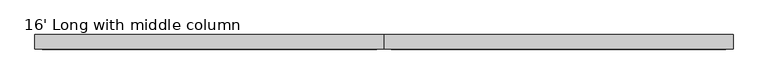
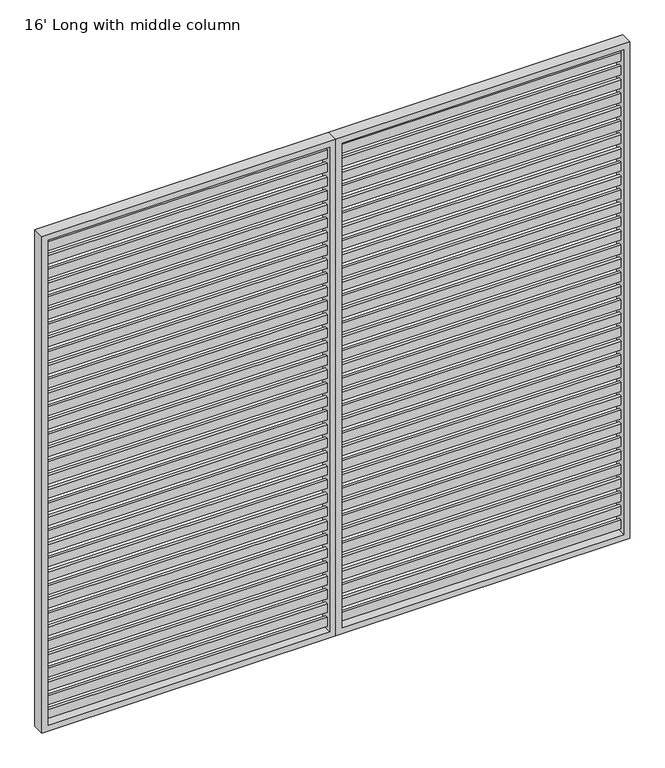
"""IFC4 building model written with IfcOpenShell, lengths in millimetres: furniture geometry, 16' Long with middle column."""

from ifc_helpers import new_model, si_unit, frame, origin, place, context, project, spatial, polyline, outline, extrude, source, transform, mapped, element, save


def furniture_16_long_with_middle_column_5638d393(model_context):
    return source(origin(), model_context, "Body", "SweptSolid", [
        extrude(outline(polyline([(2413.0, -6.35), (1244.6, -6.35), (1244.6, 6.35), (2413.0, 6.35), (2413.0, -6.35)])), frame((0.0, 0.0, 2030.4880644), z_axis=(0.0, 0.0, 1.0), x_axis=(1.0, 0.0, 0.0)), (0.0, 0.0, 1.0), 38.0999955),
        extrude(outline(polyline([(2413.0, -6.35), (1244.6, -6.35), (1244.6, 6.35), (2413.0, 6.35), (2413.0, -6.35)])), frame((0.0, 0.0, 1970.1654869), z_axis=(0.0, 0.0, 1.0), x_axis=(1.0, 0.0, 0.0)), (0.0, 0.0, 1.0), 38.0999955),
        extrude(outline(polyline([(2413.0, -6.35), (1244.6, -6.35), (1244.6, 6.35), (2413.0, 6.35), (2413.0, -6.35)])), frame((0.0, 0.0, 1909.8429094), z_axis=(0.0, 0.0, 1.0), x_axis=(1.0, 0.0, 0.0)), (0.0, 0.0, 1.0), 38.0999955),
        extrude(outline(polyline([(2413.0, -6.35), (1244.6, -6.35), (1244.6, 6.35), (2413.0, 6.35), (2413.0, -6.35)])), frame((0.0, 0.0, 1849.520332), z_axis=(0.0, 0.0, 1.0), x_axis=(1.0, 0.0, 0.0)), (0.0, 0.0, 1.0), 38.0999955),
        extrude(outline(polyline([(2413.0, -6.35), (1244.6, -6.35), (1244.6, 6.35), (2413.0, 6.35), (2413.0, -6.35)])), frame((0.0, 0.0, 1789.1977545), z_axis=(0.0, 0.0, 1.0), x_axis=(1.0, 0.0, 0.0)), (0.0, 0.0, 1.0), 38.0999955),
        extrude(outline(polyline([(2413.0, -6.35), (1244.6, -6.35), (1244.6, 6.35), (2413.0, 6.35), (2413.0, -6.35)])), frame((0.0, 0.0, 1728.875177), z_axis=(0.0, 0.0, 1.0), x_axis=(1.0, 0.0, 0.0)), (0.0, 0.0, 1.0), 38.0999955),
        extrude(outline(polyline([(2413.0, -6.35), (1244.6, -6.35), (1244.6, 6.35), (2413.0, 6.35), (2413.0, -6.35)])), frame((0.0, 0.0, 1668.5525996), z_axis=(0.0, 0.0, 1.0), x_axis=(1.0, 0.0, 0.0)), (0.0, 0.0, 1.0), 38.0999955),
        extrude(outline(polyline([(2413.0, -6.35), (1244.6, -6.35), (1244.6, 6.35), (2413.0, 6.35), (2413.0, -6.35)])), frame((0.0, 0.0, 1608.2300221), z_axis=(0.0, 0.0, 1.0), x_axis=(1.0, 0.0, 0.0)), (0.0, 0.0, 1.0), 38.0999955),
        extrude(outline(polyline([(2413.0, -6.35), (1244.6, -6.35), (1244.6, 6.35), (2413.0, 6.35), (2413.0, -6.35)])), frame((0.0, 0.0, 1547.9074446), z_axis=(0.0, 0.0, 1.0), x_axis=(1.0, 0.0, 0.0)), (0.0, 0.0, 1.0), 38.0999955),
        extrude(outline(polyline([(2413.0, -6.35), (1244.6, -6.35), (1244.6, 6.35), (2413.0, 6.35), (2413.0, -6.35)])), frame((0.0, 0.0, 1487.5848672), z_axis=(0.0, 0.0, 1.0), x_axis=(1.0, 0.0, 0.0)), (0.0, 0.0, 1.0), 38.0999955),
        extrude(outline(polyline([(2413.0, -6.35), (1244.6, -6.35), (1244.6, 6.35), (2413.0, 6.35), (2413.0, -6.35)])), frame((0.0, 0.0, 1427.2622897), z_axis=(0.0, 0.0, 1.0), x_axis=(1.0, 0.0, 0.0)), (0.0, 0.0, 1.0), 38.0999955),
        extrude(outline(polyline([(2413.0, -6.35), (1244.6, -6.35), (1244.6, 6.35), (2413.0, 6.35), (2413.0, -6.35)])), frame((0.0, 0.0, 1366.9397122), z_axis=(0.0, 0.0, 1.0), x_axis=(1.0, 0.0, 0.0)), (0.0, 0.0, 1.0), 38.0999955),
        extrude(outline(polyline([(2413.0, -6.35), (1244.6, -6.35), (1244.6, 6.35), (2413.0, 6.35), (2413.0, -6.35)])), frame((0.0, 0.0, 1306.6171348), z_axis=(0.0, 0.0, 1.0), x_axis=(1.0, 0.0, 0.0)), (0.0, 0.0, 1.0), 38.0999955),
        extrude(outline(polyline([(2413.0, -6.35), (1244.6, -6.35), (1244.6, 6.35), (2413.0, 6.35), (2413.0, -6.35)])), frame((0.0, 0.0, 1246.2945573), z_axis=(0.0, 0.0, 1.0), x_axis=(1.0, 0.0, 0.0)), (0.0, 0.0, 1.0), 38.0999955),
        extrude(outline(polyline([(2413.0, -6.35), (1244.6, -6.35), (1244.6, 6.35), (2413.0, 6.35), (2413.0, -6.35)])), frame((0.0, 0.0, 1185.9719798), z_axis=(0.0, 0.0, 1.0), x_axis=(1.0, 0.0, 0.0)), (0.0, 0.0, 1.0), 38.0999955),
        extrude(outline(polyline([(2413.0, -6.35), (1244.6, -6.35), (1244.6, 6.35), (2413.0, 6.35), (2413.0, -6.35)])), frame((0.0, 0.0, 1125.6494024), z_axis=(0.0, 0.0, 1.0), x_axis=(1.0, 0.0, 0.0)), (0.0, 0.0, 1.0), 38.0999955),
        extrude(outline(polyline([(2413.0, -6.35), (1244.6, -6.35), (1244.6, 6.35), (2413.0, 6.35), (2413.0, -6.35)])), frame((0.0, 0.0, 1065.3268249), z_axis=(0.0, 0.0, 1.0), x_axis=(1.0, 0.0, 0.0)), (0.0, 0.0, 1.0), 38.0999955),
        extrude(outline(polyline([(2413.0, -6.35), (1244.6, -6.35), (1244.6, 6.35), (2413.0, 6.35), (2413.0, -6.35)])), frame((0.0, 0.0, 1005.0042474), z_axis=(0.0, 0.0, 1.0), x_axis=(1.0, 0.0, 0.0)), (0.0, 0.0, 1.0), 38.0999955),
        extrude(outline(polyline([(2413.0, -6.35), (1244.6, -6.35), (1244.6, 6.35), (2413.0, 6.35), (2413.0, -6.35)])), frame((0.0, 0.0, 944.68167), z_axis=(0.0, 0.0, 1.0), x_axis=(1.0, 0.0, 0.0)), (0.0, 0.0, 1.0), 38.0999955),
        extrude(outline(polyline([(2413.0, -6.35), (1244.6, -6.35), (1244.6, 6.35), (2413.0, 6.35), (2413.0, -6.35)])), frame((0.0, 0.0, 884.3590925), z_axis=(0.0, 0.0, 1.0), x_axis=(1.0, 0.0, 0.0)), (0.0, 0.0, 1.0), 38.0999955),
        extrude(outline(polyline([(2413.0, -6.35), (1244.6, -6.35), (1244.6, 6.35), (2413.0, 6.35), (2413.0, -6.35)])), frame((0.0, 0.0, 824.036515), z_axis=(0.0, 0.0, 1.0), x_axis=(1.0, 0.0, 0.0)), (0.0, 0.0, 1.0), 38.0999955),
        extrude(outline(polyline([(2413.0, -6.35), (1244.6, -6.35), (1244.6, 6.35), (2413.0, 6.35), (2413.0, -6.35)])), frame((0.0, 0.0, 763.7139376), z_axis=(0.0, 0.0, 1.0), x_axis=(1.0, 0.0, 0.0)), (0.0, 0.0, 1.0), 38.0999955),
        extrude(outline(polyline([(2413.0, -6.35), (1244.6, -6.35), (1244.6, 6.35), (2413.0, 6.35), (2413.0, -6.35)])), frame((0.0, 0.0, 703.3913601), z_axis=(0.0, 0.0, 1.0), x_axis=(1.0, 0.0, 0.0)), (0.0, 0.0, 1.0), 38.0999955),
        extrude(outline(polyline([(2413.0, -6.35), (1244.6, -6.35), (1244.6, 6.35), (2413.0, 6.35), (2413.0, -6.35)])), frame((0.0, 0.0, 643.0687826), z_axis=(0.0, 0.0, 1.0), x_axis=(1.0, 0.0, 0.0)), (0.0, 0.0, 1.0), 38.0999955),
        extrude(outline(polyline([(2413.0, -6.35), (1244.6, -6.35), (1244.6, 6.35), (2413.0, 6.35), (2413.0, -6.35)])), frame((0.0, 0.0, 582.7462052), z_axis=(0.0, 0.0, 1.0), x_axis=(1.0, 0.0, 0.0)), (0.0, 0.0, 1.0), 38.0999955),
        extrude(outline(polyline([(2413.0, -6.35), (1244.6, -6.35), (1244.6, 6.35), (2413.0, 6.35), (2413.0, -6.35)])), frame((0.0, 0.0, 522.4236277), z_axis=(0.0, 0.0, 1.0), x_axis=(1.0, 0.0, 0.0)), (0.0, 0.0, 1.0), 38.0999955),
        extrude(outline(polyline([(2413.0, -6.35), (1244.6, -6.35), (1244.6, 6.35), (2413.0, 6.35), (2413.0, -6.35)])), frame((0.0, 0.0, 462.1010502), z_axis=(0.0, 0.0, 1.0), x_axis=(1.0, 0.0, 0.0)), (0.0, 0.0, 1.0), 38.0999955),
        extrude(outline(polyline([(2413.0, -6.35), (1244.6, -6.35), (1244.6, 6.35), (2413.0, 6.35), (2413.0, -6.35)])), frame((0.0, 0.0, 401.7784728), z_axis=(0.0, 0.0, 1.0), x_axis=(1.0, 0.0, 0.0)), (0.0, 0.0, 1.0), 38.0999955),
        extrude(outline(polyline([(2413.0, -6.35), (1244.6, -6.35), (1244.6, 6.35), (2413.0, 6.35), (2413.0, -6.35)])), frame((0.0, 0.0, 341.4558953), z_axis=(0.0, 0.0, 1.0), x_axis=(1.0, 0.0, 0.0)), (0.0, 0.0, 1.0), 38.0999955),
        extrude(outline(polyline([(2413.0, -6.35), (1244.6, -6.35), (1244.6, 6.35), (2413.0, 6.35), (2413.0, -6.35)])), frame((0.0, 0.0, 281.1333178), z_axis=(0.0, 0.0, 1.0), x_axis=(1.0, 0.0, 0.0)), (0.0, 0.0, 1.0), 38.0999955),
        extrude(outline(polyline([(2413.0, -6.35), (1244.6, -6.35), (1244.6, 6.35), (2413.0, 6.35), (2413.0, -6.35)])), frame((0.0, 0.0, 220.8107404), z_axis=(0.0, 0.0, 1.0), x_axis=(1.0, 0.0, 0.0)), (0.0, 0.0, 1.0), 38.0999955),
        extrude(outline(polyline([(2413.0, -6.35), (1244.6, -6.35), (1244.6, 6.35), (2413.0, 6.35), (2413.0, -6.35)])), frame((0.0, 0.0, 160.4881629), z_axis=(0.0, 0.0, 1.0), x_axis=(1.0, 0.0, 0.0)), (0.0, 0.0, 1.0), 38.0999955),
        extrude(outline(polyline([(2413.0, -6.35), (1244.6, -6.35), (1244.6, 6.35), (2413.0, 6.35), (2413.0, -6.35)])), frame((0.0, 0.0, 100.1655854), z_axis=(0.0, 0.0, 1.0), x_axis=(1.0, 0.0, 0.0)), (0.0, 0.0, 1.0), 38.0999955),
        extrude(outline(polyline([(2413.0, -6.35), (1244.6, -6.35), (1244.6, 6.35), (2413.0, 6.35), (2413.0, -6.35)])), frame((0.0, 0.0, 2090.8106418), z_axis=(0.0, 0.0, 1.0), x_axis=(1.0, 0.0, 0.0)), (0.0, 0.0, 1.0), 38.0999955),
        extrude(outline(polyline([(2413.0, -6.35), (1244.6, -6.35), (1244.6, 6.35), (2413.0, 6.35), (2413.0, -6.35)])), frame((0.0, 0.0, 39.843008), z_axis=(0.0, 0.0, 1.0), x_axis=(1.0, 0.0, 0.0)), (0.0, 0.0, 1.0), 38.0999955),
        extrude(outline(polyline([(0.0, 2438.4), (2176.526, 2438.4), (2176.526, 1219.2), (0.0, 1219.2), (0.0, 2438.4)]), holes=[polyline([(2151.126, 1244.6), (2151.126, 2413.0), (25.4, 2413.0), (25.4, 1244.6), (2151.126, 1244.6)])]), frame((0.0, -25.4, 0.0), z_axis=(0.0, 1.0, 0.0), x_axis=(0.0, 0.0, 1.0)), (0.0, 0.0, 1.0), 50.8),
        extrude(outline(polyline([(1193.8, -6.35), (25.4, -6.35), (25.4, 6.35), (1193.8, 6.35), (1193.8, -6.35)])), frame((0.0, 0.0, 2030.4880644), z_axis=(0.0, 0.0, 1.0), x_axis=(1.0, 0.0, 0.0)), (0.0, 0.0, 1.0), 38.0999955),
        extrude(outline(polyline([(1193.8, -6.35), (25.4, -6.35), (25.4, 6.35), (1193.8, 6.35), (1193.8, -6.35)])), frame((0.0, 0.0, 1970.1654869), z_axis=(0.0, 0.0, 1.0), x_axis=(1.0, 0.0, 0.0)), (0.0, 0.0, 1.0), 38.0999955),
        extrude(outline(polyline([(1193.8, -6.35), (25.4, -6.35), (25.4, 6.35), (1193.8, 6.35), (1193.8, -6.35)])), frame((0.0, 0.0, 1909.8429094), z_axis=(0.0, 0.0, 1.0), x_axis=(1.0, 0.0, 0.0)), (0.0, 0.0, 1.0), 38.0999955),
        extrude(outline(polyline([(1193.8, -6.35), (25.4, -6.35), (25.4, 6.35), (1193.8, 6.35), (1193.8, -6.35)])), frame((0.0, 0.0, 1849.520332), z_axis=(0.0, 0.0, 1.0), x_axis=(1.0, 0.0, 0.0)), (0.0, 0.0, 1.0), 38.0999955),
        extrude(outline(polyline([(1193.8, -6.35), (25.4, -6.35), (25.4, 6.35), (1193.8, 6.35), (1193.8, -6.35)])), frame((0.0, 0.0, 1789.1977545), z_axis=(0.0, 0.0, 1.0), x_axis=(1.0, 0.0, 0.0)), (0.0, 0.0, 1.0), 38.0999955),
        extrude(outline(polyline([(1193.8, -6.35), (25.4, -6.35), (25.4, 6.35), (1193.8, 6.35), (1193.8, -6.35)])), frame((0.0, 0.0, 1728.875177), z_axis=(0.0, 0.0, 1.0), x_axis=(1.0, 0.0, 0.0)), (0.0, 0.0, 1.0), 38.0999955),
        extrude(outline(polyline([(1193.8, -6.35), (25.4, -6.35), (25.4, 6.35), (1193.8, 6.35), (1193.8, -6.35)])), frame((0.0, 0.0, 1668.5525996), z_axis=(0.0, 0.0, 1.0), x_axis=(1.0, 0.0, 0.0)), (0.0, 0.0, 1.0), 38.0999955),
        extrude(outline(polyline([(1193.8, -6.35), (25.4, -6.35), (25.4, 6.35), (1193.8, 6.35), (1193.8, -6.35)])), frame((0.0, 0.0, 1608.2300221), z_axis=(0.0, 0.0, 1.0), x_axis=(1.0, 0.0, 0.0)), (0.0, 0.0, 1.0), 38.0999955),
        extrude(outline(polyline([(1193.8, -6.35), (25.4, -6.35), (25.4, 6.35), (1193.8, 6.35), (1193.8, -6.35)])), frame((0.0, 0.0, 1547.9074446), z_axis=(0.0, 0.0, 1.0), x_axis=(1.0, 0.0, 0.0)), (0.0, 0.0, 1.0), 38.0999955),
        extrude(outline(polyline([(1193.8, -6.35), (25.4, -6.35), (25.4, 6.35), (1193.8, 6.35), (1193.8, -6.35)])), frame((0.0, 0.0, 1487.5848672), z_axis=(0.0, 0.0, 1.0), x_axis=(1.0, 0.0, 0.0)), (0.0, 0.0, 1.0), 38.0999955),
        extrude(outline(polyline([(1193.8, -6.35), (25.4, -6.35), (25.4, 6.35), (1193.8, 6.35), (1193.8, -6.35)])), frame((0.0, 0.0, 1427.2622897), z_axis=(0.0, 0.0, 1.0), x_axis=(1.0, 0.0, 0.0)), (0.0, 0.0, 1.0), 38.0999955),
        extrude(outline(polyline([(1193.8, -6.35), (25.4, -6.35), (25.4, 6.35), (1193.8, 6.35), (1193.8, -6.35)])), frame((0.0, 0.0, 1366.9397122), z_axis=(0.0, 0.0, 1.0), x_axis=(1.0, 0.0, 0.0)), (0.0, 0.0, 1.0), 38.0999955),
        extrude(outline(polyline([(1193.8, -6.35), (25.4, -6.35), (25.4, 6.35), (1193.8, 6.35), (1193.8, -6.35)])), frame((0.0, 0.0, 1306.6171348), z_axis=(0.0, 0.0, 1.0), x_axis=(1.0, 0.0, 0.0)), (0.0, 0.0, 1.0), 38.0999955),
        extrude(outline(polyline([(1193.8, -6.35), (25.4, -6.35), (25.4, 6.35), (1193.8, 6.35), (1193.8, -6.35)])), frame((0.0, 0.0, 1246.2945573), z_axis=(0.0, 0.0, 1.0), x_axis=(1.0, 0.0, 0.0)), (0.0, 0.0, 1.0), 38.0999955),
        extrude(outline(polyline([(1193.8, -6.35), (25.4, -6.35), (25.4, 6.35), (1193.8, 6.35), (1193.8, -6.35)])), frame((0.0, 0.0, 1185.9719798), z_axis=(0.0, 0.0, 1.0), x_axis=(1.0, 0.0, 0.0)), (0.0, 0.0, 1.0), 38.0999955),
        extrude(outline(polyline([(1193.8, -6.35), (25.4, -6.35), (25.4, 6.35), (1193.8, 6.35), (1193.8, -6.35)])), frame((0.0, 0.0, 1125.6494024), z_axis=(0.0, 0.0, 1.0), x_axis=(1.0, 0.0, 0.0)), (0.0, 0.0, 1.0), 38.0999955),
        extrude(outline(polyline([(1193.8, -6.35), (25.4, -6.35), (25.4, 6.35), (1193.8, 6.35), (1193.8, -6.35)])), frame((0.0, 0.0, 1065.3268249), z_axis=(0.0, 0.0, 1.0), x_axis=(1.0, 0.0, 0.0)), (0.0, 0.0, 1.0), 38.0999955),
        extrude(outline(polyline([(1193.8, -6.35), (25.4, -6.35), (25.4, 6.35), (1193.8, 6.35), (1193.8, -6.35)])), frame((0.0, 0.0, 1005.0042474), z_axis=(0.0, 0.0, 1.0), x_axis=(1.0, 0.0, 0.0)), (0.0, 0.0, 1.0), 38.0999955),
        extrude(outline(polyline([(1193.8, -6.35), (25.4, -6.35), (25.4, 6.35), (1193.8, 6.35), (1193.8, -6.35)])), frame((0.0, 0.0, 944.68167), z_axis=(0.0, 0.0, 1.0), x_axis=(1.0, 0.0, 0.0)), (0.0, 0.0, 1.0), 38.0999955),
        extrude(outline(polyline([(1193.8, -6.35), (25.4, -6.35), (25.4, 6.35), (1193.8, 6.35), (1193.8, -6.35)])), frame((0.0, 0.0, 884.3590925), z_axis=(0.0, 0.0, 1.0), x_axis=(1.0, 0.0, 0.0)), (0.0, 0.0, 1.0), 38.0999955),
        extrude(outline(polyline([(1193.8, -6.35), (25.4, -6.35), (25.4, 6.35), (1193.8, 6.35), (1193.8, -6.35)])), frame((0.0, 0.0, 824.036515), z_axis=(0.0, 0.0, 1.0), x_axis=(1.0, 0.0, 0.0)), (0.0, 0.0, 1.0), 38.0999955),
        extrude(outline(polyline([(1193.8, -6.35), (25.4, -6.35), (25.4, 6.35), (1193.8, 6.35), (1193.8, -6.35)])), frame((0.0, 0.0, 763.7139376), z_axis=(0.0, 0.0, 1.0), x_axis=(1.0, 0.0, 0.0)), (0.0, 0.0, 1.0), 38.0999955),
        extrude(outline(polyline([(1193.8, -6.35), (25.4, -6.35), (25.4, 6.35), (1193.8, 6.35), (1193.8, -6.35)])), frame((0.0, 0.0, 703.3913601), z_axis=(0.0, 0.0, 1.0), x_axis=(1.0, 0.0, 0.0)), (0.0, 0.0, 1.0), 38.0999955),
        extrude(outline(polyline([(1193.8, -6.35), (25.4, -6.35), (25.4, 6.35), (1193.8, 6.35), (1193.8, -6.35)])), frame((0.0, 0.0, 643.0687826), z_axis=(0.0, 0.0, 1.0), x_axis=(1.0, 0.0, 0.0)), (0.0, 0.0, 1.0), 38.0999955),
        extrude(outline(polyline([(1193.8, -6.35), (25.4, -6.35), (25.4, 6.35), (1193.8, 6.35), (1193.8, -6.35)])), frame((0.0, 0.0, 582.7462052), z_axis=(0.0, 0.0, 1.0), x_axis=(1.0, 0.0, 0.0)), (0.0, 0.0, 1.0), 38.0999955),
        extrude(outline(polyline([(1193.8, -6.35), (25.4, -6.35), (25.4, 6.35), (1193.8, 6.35), (1193.8, -6.35)])), frame((0.0, 0.0, 522.4236277), z_axis=(0.0, 0.0, 1.0), x_axis=(1.0, 0.0, 0.0)), (0.0, 0.0, 1.0), 38.0999955),
        extrude(outline(polyline([(1193.8, -6.35), (25.4, -6.35), (25.4, 6.35), (1193.8, 6.35), (1193.8, -6.35)])), frame((0.0, 0.0, 462.1010502), z_axis=(0.0, 0.0, 1.0), x_axis=(1.0, 0.0, 0.0)), (0.0, 0.0, 1.0), 38.0999955),
        extrude(outline(polyline([(1193.8, -6.35), (25.4, -6.35), (25.4, 6.35), (1193.8, 6.35), (1193.8, -6.35)])), frame((0.0, 0.0, 401.7784728), z_axis=(0.0, 0.0, 1.0), x_axis=(1.0, 0.0, 0.0)), (0.0, 0.0, 1.0), 38.0999955),
        extrude(outline(polyline([(1193.8, -6.35), (25.4, -6.35), (25.4, 6.35), (1193.8, 6.35), (1193.8, -6.35)])), frame((0.0, 0.0, 341.4558953), z_axis=(0.0, 0.0, 1.0), x_axis=(1.0, 0.0, 0.0)), (0.0, 0.0, 1.0), 38.0999955),
        extrude(outline(polyline([(1193.8, -6.35), (25.4, -6.35), (25.4, 6.35), (1193.8, 6.35), (1193.8, -6.35)])), frame((0.0, 0.0, 281.1333178), z_axis=(0.0, 0.0, 1.0), x_axis=(1.0, 0.0, 0.0)), (0.0, 0.0, 1.0), 38.0999955),
        extrude(outline(polyline([(1193.8, -6.35), (25.4, -6.35), (25.4, 6.35), (1193.8, 6.35), (1193.8, -6.35)])), frame((0.0, 0.0, 220.8107404), z_axis=(0.0, 0.0, 1.0), x_axis=(1.0, 0.0, 0.0)), (0.0, 0.0, 1.0), 38.0999955),
        extrude(outline(polyline([(1193.8, -6.35), (25.4, -6.35), (25.4, 6.35), (1193.8, 6.35), (1193.8, -6.35)])), frame((0.0, 0.0, 160.4881629), z_axis=(0.0, 0.0, 1.0), x_axis=(1.0, 0.0, 0.0)), (0.0, 0.0, 1.0), 38.0999955),
        extrude(outline(polyline([(1193.8, -6.35), (25.4, -6.35), (25.4, 6.35), (1193.8, 6.35), (1193.8, -6.35)])), frame((0.0, 0.0, 100.1655854), z_axis=(0.0, 0.0, 1.0), x_axis=(1.0, 0.0, 0.0)), (0.0, 0.0, 1.0), 38.0999955),
        extrude(outline(polyline([(1193.8, -6.35), (25.4, -6.35), (25.4, 6.35), (1193.8, 6.35), (1193.8, -6.35)])), frame((0.0, 0.0, 2090.8106418), z_axis=(0.0, 0.0, 1.0), x_axis=(1.0, 0.0, 0.0)), (0.0, 0.0, 1.0), 38.0999955),
        extrude(outline(polyline([(1193.8, -6.35), (25.4, -6.35), (25.4, 6.35), (1193.8, 6.35), (1193.8, -6.35)])), frame((0.0, 0.0, 39.843008), z_axis=(0.0, 0.0, 1.0), x_axis=(1.0, 0.0, 0.0)), (0.0, 0.0, 1.0), 38.0999955),
        extrude(outline(polyline([(0.0, 0.0), (0.0, 1219.2), (2176.526, 1219.2), (2176.526, 0.0), (0.0, 0.0)]), holes=[polyline([(2151.126, 1193.8), (25.4, 1193.8), (25.4, 25.4), (2151.126, 25.4), (2151.126, 1193.8)])]), frame((0.0, -25.4, 0.0), z_axis=(0.0, 1.0, 0.0), x_axis=(0.0, 0.0, 1.0)), (0.0, 0.0, 1.0), 50.8),
    ])


if __name__ == "__main__":
    model = new_model("IFC4")
    model_context = context("Model", 3, world=origin())
    ifc_project = project(units=[si_unit("LENGTHUNIT", "METRE", prefix="MILLI")], contexts=[model_context])
    site = spatial("IfcSite", under=ifc_project)
    building = spatial("IfcBuilding", under=site)
    placement = place(None, origin())
    furniture_16_long_with_middle_column_shape = furniture_16_long_with_middle_column_5638d393(model_context)
    element("IfcFurniture", 1, ObjectType="16' Long with middle column", at=placement, inside=building, context=model_context, shape_type="MappedRepresentation", body=[
        mapped(furniture_16_long_with_middle_column_shape, transform((0.0, 0.0, 0.0), x_axis=(1.0, 0.0, 0.0), y_axis=(0.0, 1.0, 0.0), z_axis=(0.0, 0.0, 1.0))),
    ])
    save(model, "model.ifc")
